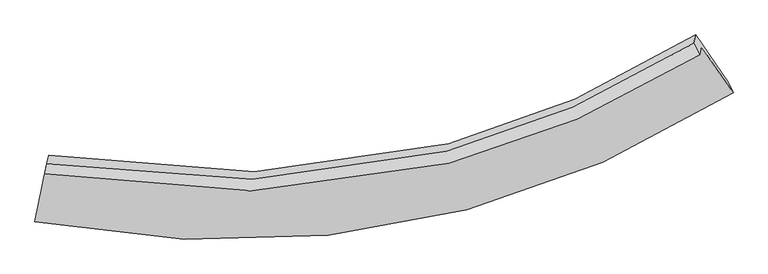
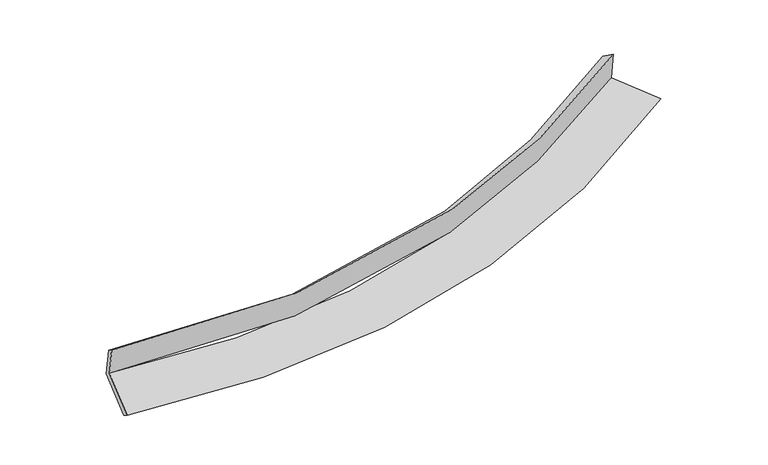
"""IFC4 building model written with IfcOpenShell, lengths in millimetres: proxy geometry."""

import ifcopenshell
import ifcopenshell.guid

model = None  # the IFC model being written
_history = None  # IfcOwnerHistory: only IFC2X3 demands one
_inside = {}  # id of a spatial element -> (the spatial element, [elements in it])
_under = {}  # id of a project, library or spatial element -> (it, [spatial elements below it])
_declared = {}  # id of a project -> (the project, [libraries it declares])
_typed = {}  # id of a type object -> (the type object, [elements of that type])
_made_of = {}  # id of a material, layer set ... -> (it, [elements and type objects made of it])


def new_model(schema):
    """Start an empty IFC model of exactly this schema.

    Asked for "IFC4X3", IfcOpenShell would pick the latest addendum, in which some entities
    have other attributes; the version numbers below select the first issue.
    IFC2X3 requires an IfcOwnerHistory on every rooted entity: one is made here for all.
    """
    global model, _history
    if schema == "IFC4X3":
        model = ifcopenshell.file(schema_version=(4, 3, 0, 0))
    else:
        model = ifcopenshell.file(schema=schema)
    _inside.clear()
    _under.clear()
    _declared.clear()
    _typed.clear()
    _made_of.clear()
    _history = None
    if model.schema == "IFC2X3":
        org = make("IfcOrganization", Name="unknown")
        user = make(
            "IfcPersonAndOrganization",
            ThePerson=make("IfcPerson", FamilyName="unknown"),
            TheOrganization=org,
        )
        app = make(
            "IfcApplication",
            ApplicationDeveloper=org,
            Version="unknown",
            ApplicationFullName="unknown",
            ApplicationIdentifier="unknown",
        )
        _history = make(
            "IfcOwnerHistory",
            OwningUser=user,
            OwningApplication=app,
            ChangeAction="ADDED",
            CreationDate=0,
        )
    return model


def make(cls, **values):
    """One entity of the class cls with the attributes given. An attribute that is None is left unset."""
    return model.create_entity(
        cls, **{name: value for name, value in values.items() if value is not None}
    )


def rooted(cls, **values):
    """An entity with a GlobalId (a new one), such as an element, a storey or a relation."""
    return make(cls, GlobalId=ifcopenshell.guid.new(), OwnerHistory=_history, **values)


def si_unit(unit_type, name, prefix=None):
    """IfcSIUnit, for example si_unit("LENGTHUNIT", "METRE", prefix="MILLI")."""
    return make("IfcSIUnit", UnitType=unit_type, Prefix=prefix, Name=name)


def assignment(units):
    """IfcUnitAssignment: the units of a project."""
    return None if units is None else make("IfcUnitAssignment", Units=units)


def point(xyz):
    """IfcCartesianPoint."""
    return None if xyz is None else make("IfcCartesianPoint", Coordinates=xyz)


def direction(xyz):
    """IfcDirection."""
    return None if xyz is None else make("IfcDirection", DirectionRatios=xyz)


def frame(location, z_axis=None, x_axis=None):
    """IfcAxis2Placement3D, a coordinate frame: its origin and axes. An axis left out is left unset."""
    return make(
        "IfcAxis2Placement3D",
        Location=point(location),
        Axis=direction(z_axis),
        RefDirection=direction(x_axis),
    )


def origin():
    """The frame at (0, 0, 0) with its axes left unset."""
    return frame((0.0, 0.0, 0.0))


def place(relative_to, where):
    """IfcLocalPlacement: puts the frame where relative to a parent placement (None: the world)."""
    return make(
        "IfcLocalPlacement", PlacementRelTo=relative_to, RelativePlacement=where
    )


def context(
    kind, dimensions, precision=None, world=None, true_north=None, identifier=None
):
    """IfcGeometricRepresentationContext, for example the 3D "Model" context."""
    return make(
        "IfcGeometricRepresentationContext",
        ContextIdentifier=identifier,
        ContextType=kind,
        CoordinateSpaceDimension=dimensions,
        Precision=precision,
        WorldCoordinateSystem=world,
        TrueNorth=true_north,
    )


def project(units=None, contexts=None):
    """IfcProject with its units and contexts."""
    return rooted(
        "IfcProject",
        Name="project",
        RepresentationContexts=contexts,
        UnitsInContext=assignment(units),
    )


def spatial(cls, under=None, at=None, **own):
    """A site, building, storey or space (cls), placed at a placement, below another one or the project."""
    s = rooted(cls, ObjectPlacement=at, **own)
    if under is not None:
        _under.setdefault(under.id(), (under, []))[1].append(s)
    return s


def shape(context_of_items, identifier, shape_type, items):
    """IfcShapeRepresentation: the items that make up one representation, for example the "Body"."""
    return make(
        "IfcShapeRepresentation",
        ContextOfItems=context_of_items,
        RepresentationIdentifier=identifier,
        RepresentationType=shape_type,
        Items=items,
    )


def source(mapping_origin, context_of_items, identifier, shape_type, items):
    """IfcRepresentationMap: a shape defined once, which mapped items show again and again."""
    return make(
        "IfcRepresentationMap",
        MappingOrigin=mapping_origin,
        MappedRepresentation=shape(context_of_items, identifier, shape_type, items),
    )


def transform(
    local_origin,
    x_axis=None,
    y_axis=None,
    z_axis=None,
    scale=None,
    scale2=None,
    scale3=None,
    uniform=True,
):
    """IfcCartesianTransformationOperator3D, or its non-uniform kind. x_axis, y_axis, z_axis: its Axis1, 2, 3."""
    if uniform:
        return make(
            "IfcCartesianTransformationOperator3D",
            Axis1=direction(x_axis),
            Axis2=direction(y_axis),
            LocalOrigin=point(local_origin),
            Scale=scale,
            Axis3=direction(z_axis),
        )
    return make(
        "IfcCartesianTransformationOperator3DnonUniform",
        Axis1=direction(x_axis),
        Axis2=direction(y_axis),
        LocalOrigin=point(local_origin),
        Scale=scale,
        Axis3=direction(z_axis),
        Scale2=scale2,
        Scale3=scale3,
    )


def mapped(mapping_source, mapping_target):
    """IfcMappedItem: shows the shape of a source again, moved by a transform."""
    return make(
        "IfcMappedItem", MappingSource=mapping_source, MappingTarget=mapping_target
    )


def made_of(thing, what):
    """Note that an element or type object is made of a material, layer set ...; save() writes the relation."""
    if what is not None:
        _made_of.setdefault(what.id(), (what, []))[1].append(thing)
    return thing


def element(
    cls,
    number,
    at=None,
    inside=None,
    cuts=None,
    type_object=None,
    material=None,
    context=None,
    identifier="Body",
    shape_type=None,
    held_by="IfcProductDefinitionShape",
    body=None,
    shapes=None,
    **own,
):
    """One element of the class cls, such as IfcWall. Its Tag is "e" and its number.

    at: its placement. inside: the storey or other place that contains it. cuts: it is an
    opening in that element (IfcRelVoidsElement). A single representation is given by context,
    identifier, shape_type and body (its items); several are given by shapes. held_by: the class
    of the entity that holds the representations. save() writes the other relations.
    """
    e = rooted(cls, Tag="e%d" % number, ObjectPlacement=at, **own)
    if body is not None:
        shapes = [shape(context, identifier, shape_type, body)]
    if shapes is not None:
        e.Representation = make(held_by, Representations=shapes)
    if inside is not None:
        _inside.setdefault(inside.id(), (inside, []))[1].append(e)
    if cuts is not None:
        rooted(
            "IfcRelVoidsElement", RelatingBuildingElement=cuts, RelatedOpeningElement=e
        )
    if type_object is not None:
        _typed.setdefault(type_object.id(), (type_object, []))[1].append(e)
    return made_of(e, material)


def aggregate(whole, parts):
    """IfcRelAggregates: a whole, such as a stair, and the parts it consists of."""
    return rooted("IfcRelAggregates", RelatingObject=whole, RelatedObjects=parts)


def save(model, path):
    """Write the relations noted so far, then the file.

    IfcRelAggregates (storeys below a building ...), IfcRelContainedInSpatialStructure (elements
    in a storey), IfcRelDefinesByType, IfcRelAssociatesMaterial and IfcRelDeclares: one each for
    every whole, place, type object, material and project.
    """
    for whole, parts in _under.values():
        aggregate(whole, parts)
    for where, things in _inside.values():
        rooted(
            "IfcRelContainedInSpatialStructure",
            RelatedElements=things,
            RelatingStructure=where,
        )
    for kind, things in _typed.values():
        rooted("IfcRelDefinesByType", RelatedObjects=things, RelatingType=kind)
    for what, things in _made_of.values():
        rooted("IfcRelAssociatesMaterial", RelatedObjects=things, RelatingMaterial=what)
    for by, libraries in _declared.values():
        rooted("IfcRelDeclares", RelatingContext=by, RelatedDefinitions=libraries)
    model.write(path)


def plane_surface(at):
    """IfcPlane: the flat surface through the origin of the frame at, square to its z axis."""
    return make("IfcPlane", Position=at)


def spline_curve(degree, points, multiplicities, knots, weights=None):
    """IfcBSplineCurveWithKnots; with weights, IfcRationalBSplineCurveWithKnots."""
    own = dict(
        Degree=degree,
        ControlPointsList=[point(p) for p in points],
        CurveForm="UNSPECIFIED",
        ClosedCurve=False,
        SelfIntersect=False,
        KnotMultiplicities=multiplicities,
        Knots=knots,
        KnotSpec="UNSPECIFIED",
    )
    if weights is None:
        return make("IfcBSplineCurveWithKnots", **own)
    return make("IfcRationalBSplineCurveWithKnots", WeightsData=weights, **own)


def spline_surface(u_degree, v_degree, points, u_multiplicities, v_multiplicities, u_knots, v_knots, weights=None):
    """IfcBSplineSurfaceWithKnots; with weights, IfcRationalBSplineSurfaceWithKnots. points: one row for each step in u."""
    own = dict(
        UDegree=u_degree,
        VDegree=v_degree,
        ControlPointsList=[[point(p) for p in row] for row in points],
        SurfaceForm="UNSPECIFIED",
        UClosed=False,
        VClosed=False,
        SelfIntersect=False,
        UMultiplicities=u_multiplicities,
        VMultiplicities=v_multiplicities,
        UKnots=u_knots,
        VKnots=v_knots,
        KnotSpec="UNSPECIFIED",
    )
    if weights is None:
        return make("IfcBSplineSurfaceWithKnots", **own)
    return make("IfcRationalBSplineSurfaceWithKnots", WeightsData=weights, **own)


def advanced_brep(points, edges, surfaces, faces):
    """IfcAdvancedBrep: a solid bounded by faces that lie on surfaces and meet in shared edges.

    An edge is (start, end): straight between two places in points (the first is 0);
    or (start, end, curve); or (start, end, curve, False) where it runs against its curve.
    A face is (place in surfaces, loops), or (place, loops, False) where it looks against
    its surface's normal. A loop lists edges by number (the first is 1), with a minus sign
    where the edge is run from its end to its start. The first loop is the outer one.
    """
    corners = [point(p) for p in points]
    vertices = [make("IfcVertexPoint", VertexGeometry=c) for c in corners]
    made = []
    for start, end, *more in edges:
        made.append(
            make(
                "IfcEdgeCurve",
                EdgeStart=vertices[start],
                EdgeEnd=vertices[end],
                EdgeGeometry=more[0] if more else make("IfcPolyline", Points=[corners[start], corners[end]]),
                SameSense=more[1] if len(more) > 1 else True,
            )
        )
    hull = []
    for where, loops, *sense in faces:
        bounds = []
        for j, loop in enumerate(loops):
            ring = [make("IfcOrientedEdge", EdgeElement=made[abs(k) - 1], Orientation=k > 0) for k in loop]
            bounds.append(
                make(
                    "IfcFaceOuterBound" if j == 0 else "IfcFaceBound",
                    Bound=make("IfcEdgeLoop", EdgeList=ring),
                    Orientation=True,
                )
            )
        hull.append(make("IfcAdvancedFace", Bounds=bounds, FaceSurface=surfaces[where], SameSense=sense[0] if sense else True))
    return make("IfcAdvancedBrep", Outer=make("IfcClosedShell", CfsFaces=hull))


def generic_models_b15c265e(model_context):
    return source(origin(), model_context, "Body", "AdvancedBrep", [
        advanced_brep(
        [(-4100.460005, -2072.0632099, 1972.4222257), (-4078.9103361, -1980.640837, 1582.6239322), (3421.4851473, -616.7499081, 2309.1224987), (3399.3304554, -710.7390325, 2709.8646711), (-4075.4588909, -1954.1277004, 1889.4943139), (3332.1827587, -578.495587, 2622.0416182), (-4053.5872299, -1861.3393073, 1493.8717087), (3354.940441, -481.9483345, 2210.3923347), (-4184.006551, -2495.4723514, 1337.9335177), (3726.7479514, -1024.3070466, 2103.7438645), (-4210.3979944, -2619.9684178, 1425.4083647), (3783.3430098, -1144.5949858, 2205.3279642)],
        [
            (0, 1),
            (1, 2, spline_curve(3, [(-4078.9103361, -1980.640837, 1582.6239322), (-2455.834740681, -2277.193499316, 1616.059355108), (-912.73959659, -2235.950400212, 1715.454183698), (1544.322628109, -1599.416524389, 1993.139619246), (2501.359311901, -1186.02931388, 2135.91097988), (3421.4851473, -616.7499081, 2309.1224987)], [4, 2, 4], [0.0, 15.242385931168796, 25.597098356754078])),
            (2, 3),
            (3, 0, spline_curve(3, [(3399.3304554, -710.7390325, 2709.8646711), (2479.435257414, -1279.03998181, 2532.481299737), (1522.568914393, -1691.704538318, 2386.628753615), (-934.22127885, -2327.084345924, 2104.0227085), (-2477.285089178, -2368.194515256, 2004.061105806), (-4100.460005, -2072.0632099, 1972.4222257)], [4, 2, 4], [0.0, 10.354712425585282, 25.597098356754078])),
            (4, 0),
            (3, 5),
            (5, 4, spline_curve(3, [(3332.1827587, -578.495587, 2622.0416182), (2428.318845768, -1145.256702793, 2437.26164732), (1486.025173047, -1557.784789293, 2287.271641342), (-938.346758486, -2196.296387694, 2002.494367238), (-2465.266968625, -2242.312338663, 1908.301938098), (-4075.4588909, -1954.1277004, 1889.4943139)], [4, 2, 4], [0.0, 10.296846932747277, 25.45405346562059])),
            (6, 4),
            (5, 7),
            (7, 6, spline_curve(3, [(3354.940441, -481.9483345, 2210.3923347), (2450.345308752, -1051.811576385, 2038.838923011), (1507.567884702, -1466.391931334, 1897.599190521), (-917.38814596, -2107.381513752, 1623.387317433), (-2444.119945334, -2152.598149815, 1525.786841254), (-4053.5872299, -1861.3393073, 1493.8717087)], [4, 2, 4], [0.0, 10.239125551517665, 25.311364821851846])),
            (8, 6),
            (7, 9),
            (9, 8, spline_curve(3, [(3726.7479514, -1024.3070466, 2103.7438645), (2761.654234571, -1631.253418158, 1920.148449856), (1755.456401424, -2072.921825717, 1769.0494058), (-833.499228122, -2756.165656777, 1475.860741862), (-2464.219562089, -2804.885683726, 1371.689670336), (-4184.006551, -2495.4723514, 1337.9335177)], [4, 2, 4], [0.0, 10.585643215128746, 26.16796482707161])),
            (10, 8),
            (9, 11),
            (11, 10, spline_curve(3, [(3783.3430098, -1144.5949858, 2205.3279642), (2808.296290725, -1760.099051393, 2018.238768194), (1791.645020578, -2207.092878648, 1864.289649144), (-824.388841629, -2895.511013465, 1565.646788811), (-2472.317906376, -2940.308330457, 1459.622708284), (-4210.3979944, -2619.9684178, 1425.4083647)], [4, 2, 4], [0.0, 10.990205628436705, 27.168052850694757])),
            (1, 10),
            (11, 2),
        ],
        [
            spline_surface(3, 3, [[(-4100.460005, -2072.0632099, 1972.4222257), (-2477.285089065, -2368.194515231, 2004.061105908), (-934.221278679, -2327.084345935, 2104.022708371), (1522.568914277, -1691.70453831, 2386.628753702), (2479.435257379, -1279.039981811, 2532.481299742), (3399.3304554, -710.7390325, 2709.8646711)], [(-4093.276782056, -2041.58908562, 1842.489461196), (-2470.134972906, -2337.860843267, 1874.727189054), (-927.060717978, -2296.706364016, 1974.499866812), (1529.820152226, -1660.94186699, 2255.465708904), (2486.743275573, -1248.036425828, 2400.291193104), (3406.715352706, -679.409324367, 2576.283946961)], [(-4086.093559044, -2011.11496128, 1712.556696704), (-2462.98485668, -2307.527171244, 1745.393272212), (-919.900157292, -2266.328382134, 1844.977025218), (1537.071390161, -1630.179195707, 2124.302664072), (2494.051293749, -1217.032869846, 2268.101086485), (3414.100249994, -648.079616233, 2442.703222839)], [(-4078.9103361, -1980.640837, 1582.6239322), (-2455.834740522, -2277.19349928, 1616.059355358), (-912.739596591, -2235.950400215, 1715.454183658), (1544.32262811, -1599.416524387, 1993.139619274), (2501.359311943, -1186.029313863, 2135.910979848), (3421.4851473, -616.7499081, 2309.1224987)]], [4, 4], [4, 2, 4], [0.0, 1.3170671208628284], [0.0, 15.242385931168796, 25.597098356754078]),
            spline_surface(3, 3, [[(-4075.4588909, -1954.1277004, 1889.4943139), (-2465.26696878, -2242.312338912, 1908.301938208), (-938.346758287, -2196.29638762, 2002.494367042), (1486.025172912, -1557.784789342, 2287.271641475), (2428.31884565, -1145.256702863, 2437.261647434), (3332.1827587, -578.495587, 2622.0416182)], [(-4083.792595591, -1993.439536883, 1917.136951167), (-2469.273008866, -2284.273064334, 1940.221660775), (-936.971598422, -2239.892373744, 2036.33714747), (1498.20642003, -1602.424705683, 2320.390678869), (2445.357649573, -1189.851129174, 2469.001531531), (3354.56532428, -622.576735495, 2651.315969162)], [(-4092.126300309, -2032.751373417, 1944.779588433), (-2473.279048979, -2326.233789809, 1972.141383341), (-935.596438544, -2283.488359812, 2070.179927943), (1510.38766716, -1647.064621969, 2353.509716308), (2462.396453455, -1234.4455555, 2500.741415644), (3376.94788982, -666.657884005, 2680.590320138)], [(-4100.460005, -2072.0632099, 1972.4222257), (-2477.285089065, -2368.194515231, 2004.061105908), (-934.221278679, -2327.084345935, 2104.022708371), (1522.568914277, -1691.70453831, 2386.628753702), (2479.435257379, -1279.039981811, 2532.481299742), (3399.3304554, -710.7390325, 2709.8646711)]], [4, 4], [4, 2, 4], [0.0, 0.5447332561810222], [0.0, 15.157206532873312, 25.45405346562059]),
            spline_surface(3, 3, [[(-4053.5872299, -1861.3393073, 1493.8717087), (-2444.119945281, -2152.598149888, 1525.786841222), (-917.388145853, -2107.381513884, 1623.387317526), (1507.567884629, -1466.391931245, 1897.599190458), (2450.345308831, -1051.811576313, 2038.83892286), (3354.940441, -481.9483345, 2210.3923347)], [(-4060.877783559, -1892.268771693, 1625.745910441), (-2451.168953106, -2182.502879589, 1653.291873558), (-924.374350006, -2137.019805116, 1749.756334058), (1500.386980716, -1496.856217264, 2027.49000749), (2443.003154428, -1082.95995184, 2171.646497733), (3347.354546891, -514.13075201, 2347.608762548)], [(-4068.168337241, -1923.198236007, 1757.620112159), (-2458.217960955, -2212.407609211, 1780.796905872), (-931.360554135, -2166.658096388, 1876.125350511), (1493.206076826, -1527.320503323, 2157.380824443), (2435.661000053, -1114.108327336, 2304.454072561), (3339.768652809, -546.31316949, 2484.825190352)], [(-4075.4588909, -1954.1277004, 1889.4943139), (-2465.26696878, -2242.312338912, 1908.301938208), (-938.346758287, -2196.29638762, 2002.494367042), (1486.025172912, -1557.784789342, 2287.271641475), (2428.31884565, -1145.256702863, 2437.261647434), (3332.1827587, -578.495587, 2622.0416182)]], [4, 4], [4, 2, 4], [0.0, 1.2929337138154662], [0.0, 15.072239270334181, 25.311364821851846]),
            spline_surface(3, 3, [[(-4184.006551, -2495.4723514, 1337.9335177), (-2464.219562043, -2804.885683658, 1371.689670521), (-833.499227882, -2756.165656554, 1475.860742003), (1755.456401261, -2072.921825868, 1769.049405705), (2761.654234569, -1631.253418078, 1920.148449787), (3726.7479514, -1024.3070466, 2103.7438645)], [(-4140.533443981, -2284.094670011, 1389.912914724), (-2457.519689804, -2587.456505713, 1423.055394112), (-861.46220052, -2539.904275676, 1525.036267173), (1672.826895736, -1870.745194339, 1811.899333951), (2657.884592645, -1438.106137489, 1959.711940796), (3602.812114588, -843.520809233, 2139.293354552)], [(-4097.060336919, -2072.716988689, 1441.892311676), (-2450.819817521, -2370.027327834, 1474.421117632), (-889.425173215, -2323.642894762, 1574.211792356), (1590.197390155, -1668.568562774, 1854.749262211), (2554.114950756, -1244.958856902, 1999.275431851), (3478.876277812, -662.734571867, 2174.842844648)], [(-4053.5872299, -1861.3393073, 1493.8717087), (-2444.119945281, -2152.598149888, 1525.786841222), (-917.388145853, -2107.381513884, 1623.387317526), (1507.567884629, -1466.391931245, 1897.599190458), (2450.345308831, -1051.811576313, 2038.83892286), (3354.940441, -481.9483345, 2210.3923347)]], [4, 4], [4, 2, 4], [0.0, 2.176187730101324], [0.0, 15.582321611942865, 26.16796482707161]),
            spline_surface(3, 3, [[(-4210.3979944, -2619.9684178, 1425.4083647), (-2472.317906178, -2940.308330387, 1459.622708313), (-824.38884157, -2895.511013618, 1565.646789052), (1791.645020538, -2207.092878544, 1864.28964898), (2808.296290669, -1760.099051311, 2018.238768033), (3783.3430098, -1144.5949858, 2205.3279642)], [(-4201.600846586, -2578.469729006, 1396.250082358), (-2469.618458119, -2895.16744815, 1430.311695708), (-827.425637037, -2849.062561254, 1535.718106706), (1779.582147417, -2162.369194309, 1832.542901225), (2792.748938652, -1717.150506885, 1985.541995273), (3764.477990349, -1104.499006052, 2171.466597622)], [(-4192.803698814, -2536.971040194, 1367.091800042), (-2466.919010102, -2850.026565894, 1401.000683127), (-830.462432416, -2802.614108919, 1505.789424349), (1767.519274383, -2117.645510103, 1800.79615346), (2777.201586587, -1674.201962504, 1952.845222546), (3745.612970851, -1064.403026348, 2137.605231078)], [(-4184.006551, -2495.4723514, 1337.9335177), (-2464.219562043, -2804.885683658, 1371.689670521), (-833.499227882, -2756.165656554, 1475.860742003), (1755.456401261, -2072.921825868, 1769.049405705), (2761.654234569, -1631.253418078, 1920.148449787), (3726.7479514, -1024.3070466, 2103.7438645)]], [4, 4], [4, 2, 4], [0.0, 0.5442128242366042], [0.0, 16.177847222258052, 27.168052850694757]),
            spline_surface(3, 3, [[(-4078.9103361, -1980.640837, 1582.6239322), (-2455.834740522, -2277.19349928, 1616.059355358), (-912.739596591, -2235.950400215, 1715.454183658), (1544.32262811, -1599.416524387, 1993.139619274), (2501.359311943, -1186.029313863, 2135.910979848), (3421.4851473, -616.7499081, 2309.1224987)], [(-4122.739555527, -2193.750030587, 1530.218743014), (-2461.329129067, -2498.231776302, 1563.913806324), (-883.2893449, -2455.803938021, 1665.518385434), (1626.763425604, -1801.975309112, 1950.189629154), (2603.671638171, -1377.385893022, 2096.686909265), (3542.104434786, -792.698267343, 2274.524320555)], [(-4166.568774973, -2406.859224213, 1477.813553886), (-2466.823517632, -2719.270053365, 1511.768257347), (-853.839093262, -2675.657475811, 1615.582587276), (1709.204223044, -2004.53409382, 1907.2396391), (2705.983964442, -1568.742472152, 2057.462838616), (3662.723722314, -968.646626557, 2239.926142345)], [(-4210.3979944, -2619.9684178, 1425.4083647), (-2472.317906178, -2940.308330387, 1459.622708313), (-824.38884157, -2895.511013618, 1565.646789052), (1791.645020538, -2207.092878544, 1864.28964898), (2808.296290669, -1760.099051311, 2018.238768033), (3783.3430098, -1144.5949858, 2205.3279642)]], [4, 4], [4, 2, 4], [0.0, 2.2021168459756213], [0.0, 15.7529175730196, 26.454452888367626]),
            plane_surface(frame((3503.0049606, -759.4724824, 2360.0821586), z_axis=(0.8280067567253432, 0.5340012162920021, 0.17101903933726487), x_axis=(-0.5581363617007501, 0.8141581592980311, 0.16009463887304703))),
            plane_surface(frame((-4117.1368345, -2163.935304, 1616.9590105), z_axis=(-0.979160314418894, 0.2029840079787902, -0.006524658761911467), x_axis=(-0.05374581439170942, -0.22801138709964353, 0.9721739529468317))),
        ],
        [
            (0, [[1, 2, 3, 4]]),
            (1, [[5, -4, 6, 7]]),
            (2, [[8, -7, 9, 10]]),
            (3, [[11, -10, 12, 13]]),
            (4, [[14, -13, 15, 16]]),
            (5, [[17, -16, 18, -2]]),
            (6, [[-12, -9, -6, -3, -18, -15]]),
            (7, [[-1, -5, -8, -11, -14, -17]]),
        ],
    ),
    ])


if __name__ == "__main__":
    model = new_model("IFC4")
    model_context = context("Model", 3, world=origin())
    ifc_project = project(units=[si_unit("LENGTHUNIT", "METRE", prefix="MILLI")], contexts=[model_context])
    site = spatial("IfcSite", under=ifc_project)
    building = spatial("IfcBuilding", under=site)
    placement = place(None, origin())
    generic_models_shape = generic_models_b15c265e(model_context)
    element("IfcBuildingElementProxy", 1, Name="Generic Models", at=placement, inside=building, context=model_context, shape_type="MappedRepresentation", body=[
        mapped(generic_models_shape, transform((0.0, 0.0, 0.0), x_axis=(1.0, 0.0, 0.0), y_axis=(0.0, 1.0, 0.0), z_axis=(0.0, 0.0, 1.0))),
    ])
    save(model, "model.ifc")
